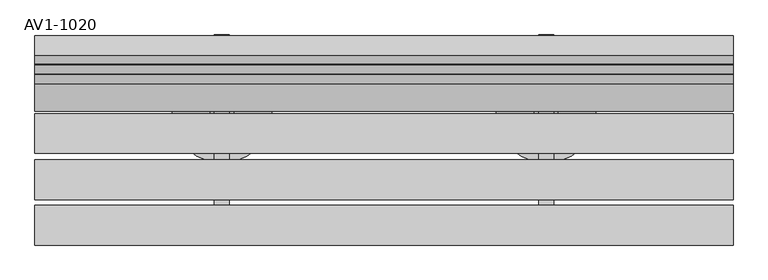
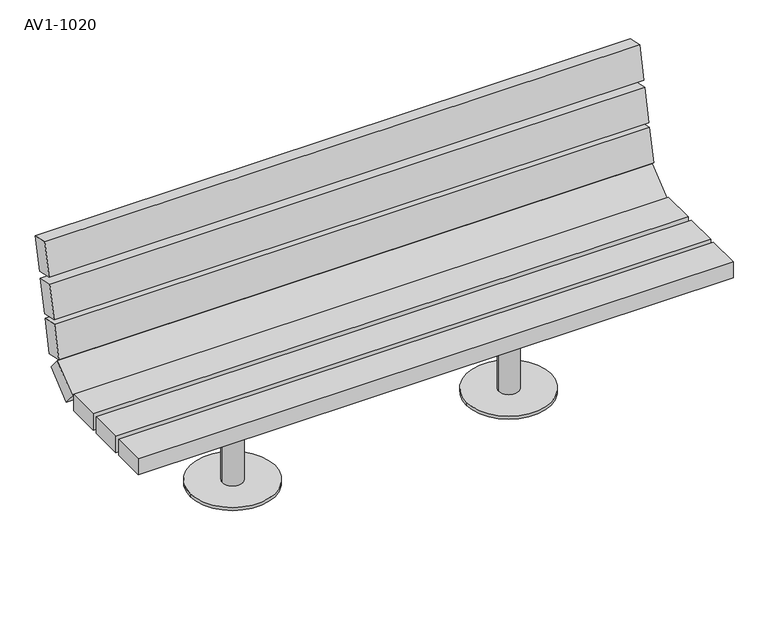
"""IFC4 building model written with IfcOpenShell, lengths in millimetres: furniture geometry, AV1-1020."""

import ifcopenshell
import ifcopenshell.guid

model = None  # the IFC model being written
_history = None  # IfcOwnerHistory: only IFC2X3 demands one
_inside = {}  # id of a spatial element -> (the spatial element, [elements in it])
_under = {}  # id of a project, library or spatial element -> (it, [spatial elements below it])
_declared = {}  # id of a project -> (the project, [libraries it declares])
_typed = {}  # id of a type object -> (the type object, [elements of that type])
_made_of = {}  # id of a material, layer set ... -> (it, [elements and type objects made of it])


def new_model(schema):
    """Start an empty IFC model of exactly this schema.

    Asked for "IFC4X3", IfcOpenShell would pick the latest addendum, in which some entities
    have other attributes; the version numbers below select the first issue.
    IFC2X3 requires an IfcOwnerHistory on every rooted entity: one is made here for all.
    """
    global model, _history
    if schema == "IFC4X3":
        model = ifcopenshell.file(schema_version=(4, 3, 0, 0))
    else:
        model = ifcopenshell.file(schema=schema)
    _inside.clear()
    _under.clear()
    _declared.clear()
    _typed.clear()
    _made_of.clear()
    _history = None
    if model.schema == "IFC2X3":
        org = make("IfcOrganization", Name="unknown")
        user = make(
            "IfcPersonAndOrganization",
            ThePerson=make("IfcPerson", FamilyName="unknown"),
            TheOrganization=org,
        )
        app = make(
            "IfcApplication",
            ApplicationDeveloper=org,
            Version="unknown",
            ApplicationFullName="unknown",
            ApplicationIdentifier="unknown",
        )
        _history = make(
            "IfcOwnerHistory",
            OwningUser=user,
            OwningApplication=app,
            ChangeAction="ADDED",
            CreationDate=0,
        )
    return model


def make(cls, **values):
    """One entity of the class cls with the attributes given. An attribute that is None is left unset."""
    return model.create_entity(
        cls, **{name: value for name, value in values.items() if value is not None}
    )


def rooted(cls, **values):
    """An entity with a GlobalId (a new one), such as an element, a storey or a relation."""
    return make(cls, GlobalId=ifcopenshell.guid.new(), OwnerHistory=_history, **values)


def si_unit(unit_type, name, prefix=None):
    """IfcSIUnit, for example si_unit("LENGTHUNIT", "METRE", prefix="MILLI")."""
    return make("IfcSIUnit", UnitType=unit_type, Prefix=prefix, Name=name)


def assignment(units):
    """IfcUnitAssignment: the units of a project."""
    return None if units is None else make("IfcUnitAssignment", Units=units)


def point(xyz):
    """IfcCartesianPoint."""
    return None if xyz is None else make("IfcCartesianPoint", Coordinates=xyz)


def direction(xyz):
    """IfcDirection."""
    return None if xyz is None else make("IfcDirection", DirectionRatios=xyz)


def frame(location, z_axis=None, x_axis=None):
    """IfcAxis2Placement3D, a coordinate frame: its origin and axes. An axis left out is left unset."""
    return make(
        "IfcAxis2Placement3D",
        Location=point(location),
        Axis=direction(z_axis),
        RefDirection=direction(x_axis),
    )


def frame_2d(location, x_axis=None):
    """IfcAxis2Placement2D, a coordinate frame in the plane: its origin and x axis."""
    return make(
        "IfcAxis2Placement2D", Location=point(location), RefDirection=direction(x_axis)
    )


def origin():
    """The frame at (0, 0, 0) with its axes left unset."""
    return frame((0.0, 0.0, 0.0))


def origin_with_axes():
    """The frame at (0, 0, 0) with the z axis (0, 0, 1) and the x axis (1, 0, 0) written out."""
    return frame((0.0, 0.0, 0.0), z_axis=(0.0, 0.0, 1.0), x_axis=(1.0, 0.0, 0.0))


def place(relative_to, where):
    """IfcLocalPlacement: puts the frame where relative to a parent placement (None: the world)."""
    return make(
        "IfcLocalPlacement", PlacementRelTo=relative_to, RelativePlacement=where
    )


def context(
    kind, dimensions, precision=None, world=None, true_north=None, identifier=None
):
    """IfcGeometricRepresentationContext, for example the 3D "Model" context."""
    return make(
        "IfcGeometricRepresentationContext",
        ContextIdentifier=identifier,
        ContextType=kind,
        CoordinateSpaceDimension=dimensions,
        Precision=precision,
        WorldCoordinateSystem=world,
        TrueNorth=true_north,
    )


def project(units=None, contexts=None):
    """IfcProject with its units and contexts."""
    return rooted(
        "IfcProject",
        Name="project",
        RepresentationContexts=contexts,
        UnitsInContext=assignment(units),
    )


def spatial(cls, under=None, at=None, **own):
    """A site, building, storey or space (cls), placed at a placement, below another one or the project."""
    s = rooted(cls, ObjectPlacement=at, **own)
    if under is not None:
        _under.setdefault(under.id(), (under, []))[1].append(s)
    return s


def polyline(points):
    """IfcPolyline through the points."""
    return make("IfcPolyline", Points=[point(p) for p in points])


def circle_curve(where, radius):
    """IfcCircle in the frame where."""
    return make("IfcCircle", Position=where, Radius=radius)


def trimmed(basis, trim1, trim2, sense, master):
    """IfcTrimmedCurve: the piece of a basis curve between two trims."""
    return make(
        "IfcTrimmedCurve",
        BasisCurve=basis,
        Trim1=trim1,
        Trim2=trim2,
        SenseAgreement=sense,
        MasterRepresentation=master,
    )


def segment(curve, same_sense, transition):
    """IfcCompositeCurveSegment."""
    return make(
        "IfcCompositeCurveSegment",
        Transition=transition,
        SameSense=same_sense,
        ParentCurve=curve,
    )


def composite_curve(segments, self_intersect=None):
    """IfcCompositeCurve: segments joined end to end."""
    return make("IfcCompositeCurve", Segments=segments, SelfIntersect=self_intersect)


def outline(outer, holes=None, kind="AREA"):
    """IfcArbitraryClosedProfileDef: a profile drawn as a closed curve; with holes, ...WithVoids."""
    if holes is None:
        return make("IfcArbitraryClosedProfileDef", ProfileType=kind, OuterCurve=outer)
    return make(
        "IfcArbitraryProfileDefWithVoids",
        ProfileType=kind,
        OuterCurve=outer,
        InnerCurves=holes,
    )


def extrude(swept, where, along, depth):
    """IfcExtrudedAreaSolid: the profile swept, set in the frame where, extruded along a direction by depth."""
    return make(
        "IfcExtrudedAreaSolid",
        SweptArea=swept,
        Position=where,
        ExtrudedDirection=direction(along),
        Depth=depth,
    )


def shape(context_of_items, identifier, shape_type, items):
    """IfcShapeRepresentation: the items that make up one representation, for example the "Body"."""
    return make(
        "IfcShapeRepresentation",
        ContextOfItems=context_of_items,
        RepresentationIdentifier=identifier,
        RepresentationType=shape_type,
        Items=items,
    )


def source(mapping_origin, context_of_items, identifier, shape_type, items):
    """IfcRepresentationMap: a shape defined once, which mapped items show again and again."""
    return make(
        "IfcRepresentationMap",
        MappingOrigin=mapping_origin,
        MappedRepresentation=shape(context_of_items, identifier, shape_type, items),
    )


def transform(
    local_origin,
    x_axis=None,
    y_axis=None,
    z_axis=None,
    scale=None,
    scale2=None,
    scale3=None,
    uniform=True,
):
    """IfcCartesianTransformationOperator3D, or its non-uniform kind. x_axis, y_axis, z_axis: its Axis1, 2, 3."""
    if uniform:
        return make(
            "IfcCartesianTransformationOperator3D",
            Axis1=direction(x_axis),
            Axis2=direction(y_axis),
            LocalOrigin=point(local_origin),
            Scale=scale,
            Axis3=direction(z_axis),
        )
    return make(
        "IfcCartesianTransformationOperator3DnonUniform",
        Axis1=direction(x_axis),
        Axis2=direction(y_axis),
        LocalOrigin=point(local_origin),
        Scale=scale,
        Axis3=direction(z_axis),
        Scale2=scale2,
        Scale3=scale3,
    )


def mapped(mapping_source, mapping_target):
    """IfcMappedItem: shows the shape of a source again, moved by a transform."""
    return make(
        "IfcMappedItem", MappingSource=mapping_source, MappingTarget=mapping_target
    )


def made_of(thing, what):
    """Note that an element or type object is made of a material, layer set ...; save() writes the relation."""
    if what is not None:
        _made_of.setdefault(what.id(), (what, []))[1].append(thing)
    return thing


def element(
    cls,
    number,
    at=None,
    inside=None,
    cuts=None,
    type_object=None,
    material=None,
    context=None,
    identifier="Body",
    shape_type=None,
    held_by="IfcProductDefinitionShape",
    body=None,
    shapes=None,
    **own,
):
    """One element of the class cls, such as IfcWall. Its Tag is "e" and its number.

    at: its placement. inside: the storey or other place that contains it. cuts: it is an
    opening in that element (IfcRelVoidsElement). A single representation is given by context,
    identifier, shape_type and body (its items); several are given by shapes. held_by: the class
    of the entity that holds the representations. save() writes the other relations.
    """
    e = rooted(cls, Tag="e%d" % number, ObjectPlacement=at, **own)
    if body is not None:
        shapes = [shape(context, identifier, shape_type, body)]
    if shapes is not None:
        e.Representation = make(held_by, Representations=shapes)
    if inside is not None:
        _inside.setdefault(inside.id(), (inside, []))[1].append(e)
    if cuts is not None:
        rooted(
            "IfcRelVoidsElement", RelatingBuildingElement=cuts, RelatedOpeningElement=e
        )
    if type_object is not None:
        _typed.setdefault(type_object.id(), (type_object, []))[1].append(e)
    return made_of(e, material)


def aggregate(whole, parts):
    """IfcRelAggregates: a whole, such as a stair, and the parts it consists of."""
    return rooted("IfcRelAggregates", RelatingObject=whole, RelatedObjects=parts)


def save(model, path):
    """Write the relations noted so far, then the file.

    IfcRelAggregates (storeys below a building ...), IfcRelContainedInSpatialStructure (elements
    in a storey), IfcRelDefinesByType, IfcRelAssociatesMaterial and IfcRelDeclares: one each for
    every whole, place, type object, material and project.
    """
    for whole, parts in _under.values():
        aggregate(whole, parts)
    for where, things in _inside.values():
        rooted(
            "IfcRelContainedInSpatialStructure",
            RelatedElements=things,
            RelatingStructure=where,
        )
    for kind, things in _typed.values():
        rooted("IfcRelDefinesByType", RelatedObjects=things, RelatingType=kind)
    for what, things in _made_of.values():
        rooted("IfcRelAssociatesMaterial", RelatedObjects=things, RelatingMaterial=what)
    for by, libraries in _declared.values():
        rooted("IfcRelDeclares", RelatingContext=by, RelatedDefinitions=libraries)
    model.write(path)


def av1_1020_4a663bc2(model_context):
    return source(origin(), model_context, "Body", "SweptSolid", [
        extrude(outline(polyline([(-535.78125, 387.35), (-535.78125, 395.2875), (-186.53125, 395.2875), (-102.6383435, 463.2226362), (-27.78125, 801.6875), (-20.0310365, 799.9734123), (-95.4872003, 458.7998637), (-183.7204338, 387.35), (-535.78125, 387.35)])), frame((393.7, 0.0, 0.0), z_axis=(1.0, 0.0, 0.0), x_axis=(0.0, 1.0, 0.0)), (0.0, 0.0, 1.0), 38.1),
        extrude(outline(polyline([(-535.78125, 387.35), (-535.78125, 395.2875), (-186.53125, 395.2875), (-102.6383435, 463.2226362), (-27.78125, 801.6875), (-20.0310365, 799.9734123), (-95.4872003, 458.7998637), (-183.7204338, 387.35), (-535.78125, 387.35)])), frame((-431.8, 0.0, 0.0), z_axis=(1.0, 0.0, 0.0), x_axis=(0.0, 1.0, 0.0)), (0.0, 0.0, 1.0), 38.1),
        extrude(outline(polyline([(0.0, -101.6), (0.0, 0.0), (1778.0, 0.0), (1778.0, -101.6), (0.0, -101.6)])), frame((889.0, -182.8486275, 398.433701), z_axis=(0.0, -0.6293203910498245, 0.7771459614569814), x_axis=(-1.0, 0.0, 0.0)), (0.0, 0.0, 1.0), 50.8),
        extrude(outline(polyline([(889.0, -220.1623825), (889.0, -321.7623825), (-889.0, -321.7623825), (-889.0, -220.1623825), (889.0, -220.1623825)])), frame((0.0, 0.0, 395.1820023), z_axis=(0.0, 0.0, 1.0), x_axis=(1.0, 0.0, 0.0)), (0.0, 0.0, 1.0), 50.8),
        extrude(outline(polyline([(889.0, -337.6373825), (889.0, -439.2373825), (-889.0, -439.2373825), (-889.0, -337.6373825), (889.0, -337.6373825)])), frame((0.0, 0.0, 395.1820023), z_axis=(0.0, 0.0, 1.0), x_axis=(1.0, 0.0, 0.0)), (0.0, 0.0, 1.0), 50.8),
        extrude(outline(polyline([(889.0, -453.5248825), (889.0, -555.1248825), (-889.0, -555.1248825), (-889.0, -453.5248825), (889.0, -453.5248825)])), frame((0.0, 0.0, 395.1820023), z_axis=(0.0, 0.0, 1.0), x_axis=(1.0, 0.0, 0.0)), (0.0, 0.0, 1.0), 50.8),
        extrude(outline(polyline([(0.0, -49.9110886), (0.0, 0.0), (1778.0, 0.0), (1778.0, -49.9110886), (0.0, -49.9110886)])), frame((889.0, -143.7781068, 509.5287047), z_axis=(0.0, 0.21358384142616005, 0.976924737470418), x_axis=(-1.0, 0.0, 0.0)), (0.0, 0.0, 1.0), 101.6),
        extrude(outline(polyline([(0.0, -49.9110887), (0.0, 0.0), (1778.0, 0.0), (1778.0, -49.9110887), (0.0, -49.9110887)])), frame((889.0, -119.3654738, 621.1912022), z_axis=(0.0, 0.21358384142616121, 0.9769247374704176), x_axis=(-1.0, 0.0, 0.0)), (0.0, 0.0, 1.0), 101.6),
        extrude(outline(polyline([(0.0, -50.7999999), (0.0, 0.0), (1778.0, 0.0), (1778.0, -50.7999999), (0.0, -50.7999999)])), frame((889.0, -93.5969424, 739.0555291), z_axis=(0.0, 0.21358384142616477, 0.9769247374704169), x_axis=(-1.0, 0.0, 0.0)), (0.0, 0.0, 1.0), 101.6),
        extrude(outline(composite_curve([segment(trimmed(circle_curve(frame_2d((-412.75, -218.28125)), 30.1625), [point((-382.5875, -218.28125))], [point((-442.9125, -218.28125))], False, "CARTESIAN"), True, "CONTINUOUS"), segment(trimmed(circle_curve(frame_2d((-412.75, -218.28125)), 30.1625), [point((-442.9125, -218.28125))], [point((-382.5875, -218.28125))], False, "CARTESIAN"), True, "CONTINUOUS")], self_intersect=False)), frame((0.0, 0.0, 9.525), z_axis=(0.0, 0.0, 1.0), x_axis=(1.0, 0.0, 0.0)), (0.0, 0.0, 1.0), 377.825),
        extrude(outline(composite_curve([segment(trimmed(circle_curve(frame_2d((-412.75, -218.28125)), 127.0), [point((-285.75, -218.28125))], [point((-539.75, -218.28125))], False, "CARTESIAN"), True, "CONTINUOUS"), segment(trimmed(circle_curve(frame_2d((-412.75, -218.28125)), 127.0), [point((-539.75, -218.28125))], [point((-285.75, -218.28125))], False, "CARTESIAN"), True, "CONTINUOUS")], self_intersect=False)), origin_with_axes(), (0.0, 0.0, 1.0), 9.525),
        extrude(outline(composite_curve([segment(trimmed(circle_curve(frame_2d((412.75, -218.28125)), 30.1625), [point((442.9125, -218.28125))], [point((382.5875, -218.28125))], False, "CARTESIAN"), True, "CONTINUOUS"), segment(trimmed(circle_curve(frame_2d((412.75, -218.28125)), 30.1625), [point((382.5875, -218.28125))], [point((442.9125, -218.28125))], False, "CARTESIAN"), True, "CONTINUOUS")], self_intersect=False)), frame((0.0, 0.0, 9.525), z_axis=(0.0, 0.0, 1.0), x_axis=(1.0, 0.0, 0.0)), (0.0, 0.0, 1.0), 377.825),
        extrude(outline(composite_curve([segment(trimmed(circle_curve(frame_2d((412.75, -218.28125)), 127.0), [point((539.75, -218.28125))], [point((285.75, -218.28125))], False, "CARTESIAN"), True, "CONTINUOUS"), segment(trimmed(circle_curve(frame_2d((412.75, -218.28125)), 127.0), [point((285.75, -218.28125))], [point((539.75, -218.28125))], False, "CARTESIAN"), True, "CONTINUOUS")], self_intersect=False)), origin_with_axes(), (0.0, 0.0, 1.0), 9.525),
    ])


if __name__ == "__main__":
    model = new_model("IFC4")
    model_context = context("Model", 3, world=origin())
    ifc_project = project(units=[si_unit("LENGTHUNIT", "METRE", prefix="MILLI")], contexts=[model_context])
    site = spatial("IfcSite", under=ifc_project)
    building = spatial("IfcBuilding", under=site)
    placement = place(None, origin())
    av1_1020_shape = av1_1020_4a663bc2(model_context)
    element("IfcFurniture", 1, ObjectType="AV1-1020", at=placement, inside=building, context=model_context, shape_type="MappedRepresentation", body=[
        mapped(av1_1020_shape, transform((0.0, 0.0, 0.0), x_axis=(1.0, 0.0, 0.0), y_axis=(0.0, 1.0, 0.0), z_axis=(0.0, 0.0, 1.0))),
    ])
    save(model, "model.ifc")
